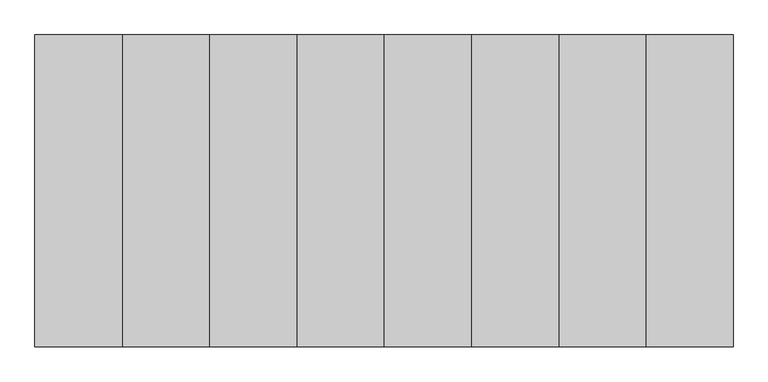
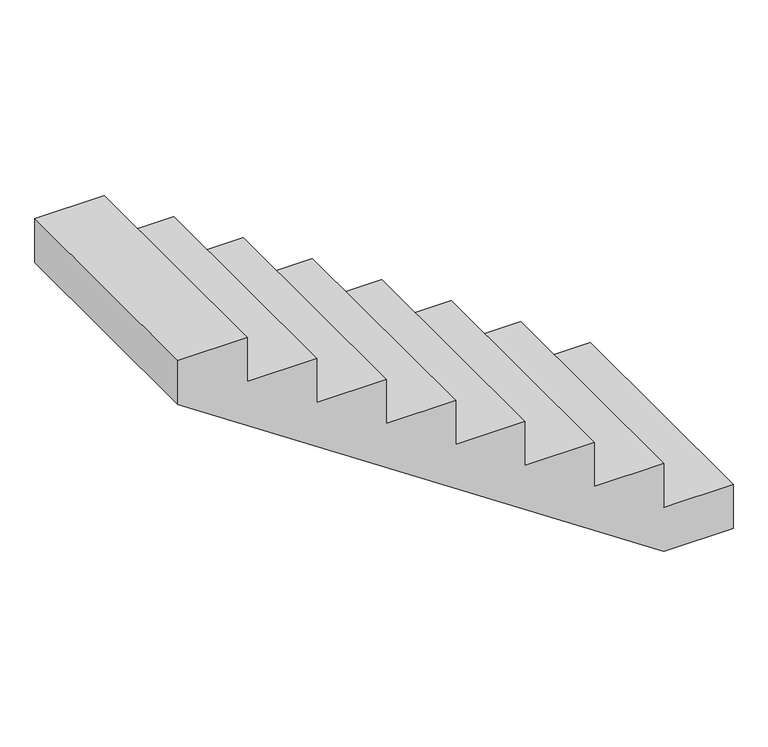
"""IFC4 building model written with IfcOpenShell, lengths in millimetres: proxy geometry."""

from ifc_helpers import new_model, si_unit, frame, origin, place, context, project, spatial, polyline, outline, extrude, source, transform, mapped, element, save


def generic_models_eadd55a4(model_context):
    return source(origin(), model_context, "Body", "SweptSolid", [
        extrude(outline(polyline([(1500.0, 3434.1127713), (1500.0, 3154.1127713), (1312.5, 3154.1127713), (0.0, 5114.1127713), (0.0, 5394.1127713), (187.5, 5394.1127713), (187.5, 5114.1127713), (375.0, 5114.1127713), (375.0, 4834.1127713), (562.5, 4834.1127713), (562.5, 4554.1127713), (750.0, 4554.1127713), (750.0, 4274.1127713), (937.5, 4274.1127713), (937.5, 3994.1127713), (1125.0, 3994.1127713), (1125.0, 3714.1127713), (1312.5, 3714.1127713), (1312.5, 3434.1127713), (1500.0, 3434.1127713)])), frame((0.0, 0.0, 0.0), z_axis=(0.0, 1.0, 0.0), x_axis=(0.0, 0.0, 1.0)), (0.0, 0.0, 1.0), 1000.0),
    ])


if __name__ == "__main__":
    model = new_model("IFC4")
    model_context = context("Model", 3, world=origin())
    ifc_project = project(units=[si_unit("LENGTHUNIT", "METRE", prefix="MILLI")], contexts=[model_context])
    site = spatial("IfcSite", under=ifc_project)
    building = spatial("IfcBuilding", under=site)
    placement = place(None, origin())
    generic_models_shape = generic_models_eadd55a4(model_context)
    element("IfcBuildingElementProxy", 1, Name="Generic Models", at=placement, inside=building, context=model_context, shape_type="MappedRepresentation", body=[
        mapped(generic_models_shape, transform((0.0, 0.0, 0.0), x_axis=(1.0, 0.0, 0.0), y_axis=(0.0, 1.0, 0.0), z_axis=(0.0, 0.0, 1.0))),
    ])
    save(model, "model.ifc")
